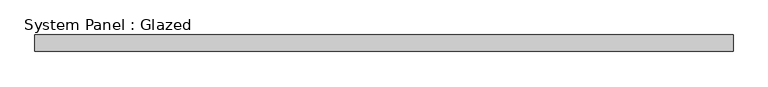
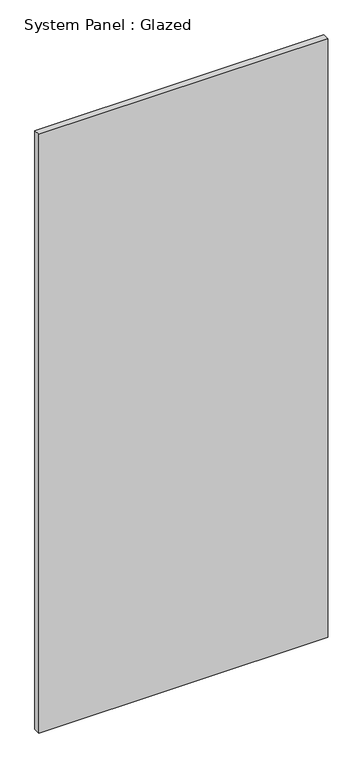
"""IFC4 building model written with IfcOpenShell, lengths in millimetres: plate geometry, System Panel : Glazed."""

from ifc_helpers import new_model, si_unit, origin, origin_with_axes, place, context, project, spatial, polyline, outline, extrude, source, transform, mapped, element, save


def system_panel_glazed_bb792608(model_context):
    return source(origin(), model_context, "Body", "SweptSolid", [
        extrude(outline(polyline([(530.7894737, 52.5), (-530.7894737, 52.5), (-530.7894737, 77.5), (530.7894737, 77.5), (530.7894737, 52.5)])), origin_with_axes(), (0.0, 0.0, 1.0), 2325.0),
    ])


if __name__ == "__main__":
    model = new_model("IFC4")
    model_context = context("Model", 3, world=origin())
    ifc_project = project(units=[si_unit("LENGTHUNIT", "METRE", prefix="MILLI")], contexts=[model_context])
    site = spatial("IfcSite", under=ifc_project)
    building = spatial("IfcBuilding", under=site)
    placement = place(None, origin())
    system_panel_glazed_shape = system_panel_glazed_bb792608(model_context)
    element("IfcPlate", 1, ObjectType="System Panel : Glazed", at=placement, inside=building, context=model_context, shape_type="MappedRepresentation", body=[
        mapped(system_panel_glazed_shape, transform((0.0, 0.0, 0.0), x_axis=(1.0, 0.0, 0.0), y_axis=(0.0, 1.0, 0.0), z_axis=(0.0, 0.0, 1.0))),
    ])
    save(model, "model.ifc")
